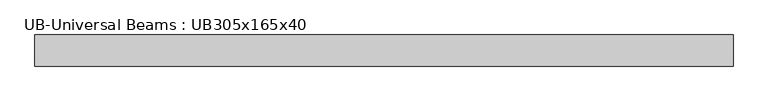
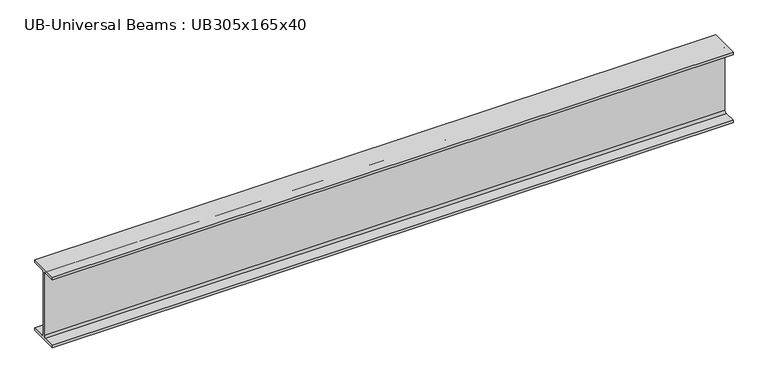
"""IFC4 building model written with IfcOpenShell, lengths in millimetres: beam geometry, UB-Universal Beams : UB305x165x40."""

from ifc_helpers import new_model, si_unit, point, frame, frame_2d, origin, place, context, project, spatial, polyline, circle_curve, trimmed, segment, composite_curve, outline, extrude, source, transform, mapped, element, save


def ub_universal_beams_ub305x165x40_a1448784(model_context):
    return source(origin(), model_context, "Body", "SweptSolid", [
        extrude(outline(composite_curve([segment(polyline([(61.75, -141.2), (61.75, -151.9), (-61.75, -151.9), (-61.75, -141.2), (-12.5, -141.2)]), True, "CONTINUOUS"), segment(trimmed(circle_curve(frame_2d((-12.5, -132.3)), 8.9), [point((-12.5, -141.2))], [point((-3.6, -132.3))], True, "CARTESIAN"), True, "CONTINUOUS"), segment(polyline([(-3.6, -132.3), (-3.6, 132.3)]), True, "CONTINUOUS"), segment(trimmed(circle_curve(frame_2d((-12.5, 132.3)), 8.9), [point((-3.6, 132.3))], [point((-12.5, 141.2))], True, "CARTESIAN"), True, "CONTINUOUS"), segment(polyline([(-12.5, 141.2), (-61.75, 141.2), (-61.75, 151.9), (61.75, 151.9), (61.75, 141.2), (12.5, 141.2)]), True, "CONTINUOUS"), segment(trimmed(circle_curve(frame_2d((12.5, 132.3)), 8.9), [point((12.5, 141.2))], [point((3.6, 132.3))], True, "CARTESIAN"), True, "CONTINUOUS"), segment(polyline([(3.6, 132.3), (3.6, -132.3)]), True, "CONTINUOUS"), segment(trimmed(circle_curve(frame_2d((12.5, -132.3)), 8.9), [point((3.6, -132.3))], [point((12.5, -141.2))], True, "CARTESIAN"), True, "CONTINUOUS"), segment(polyline([(12.5, -141.2), (61.75, -141.2)]), True, "CONTINUOUS")], self_intersect=False)), frame((-1384.0, 0.0, 0.0), z_axis=(1.0, 0.0, 0.0), x_axis=(0.0, 1.0, 0.0)), (0.0, 0.0, 1.0), 2768.0),
    ])


if __name__ == "__main__":
    model = new_model("IFC4")
    model_context = context("Model", 3, world=origin())
    ifc_project = project(units=[si_unit("LENGTHUNIT", "METRE", prefix="MILLI")], contexts=[model_context])
    site = spatial("IfcSite", under=ifc_project)
    building = spatial("IfcBuilding", under=site)
    placement = place(None, origin())
    ub_universal_beams_ub305x165x40_shape = ub_universal_beams_ub305x165x40_a1448784(model_context)
    element("IfcBeam", 1, ObjectType="UB-Universal Beams : UB305x165x40", at=placement, inside=building, context=model_context, shape_type="MappedRepresentation", body=[
        mapped(ub_universal_beams_ub305x165x40_shape, transform((0.0, 0.0, 0.0), x_axis=(1.0, 0.0, 0.0), y_axis=(0.0, 1.0, 0.0), z_axis=(0.0, 0.0, 1.0))),
    ])
    save(model, "model.ifc")
